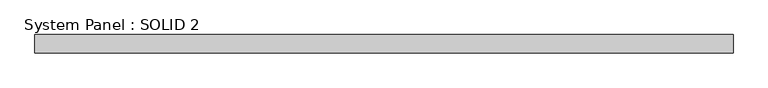
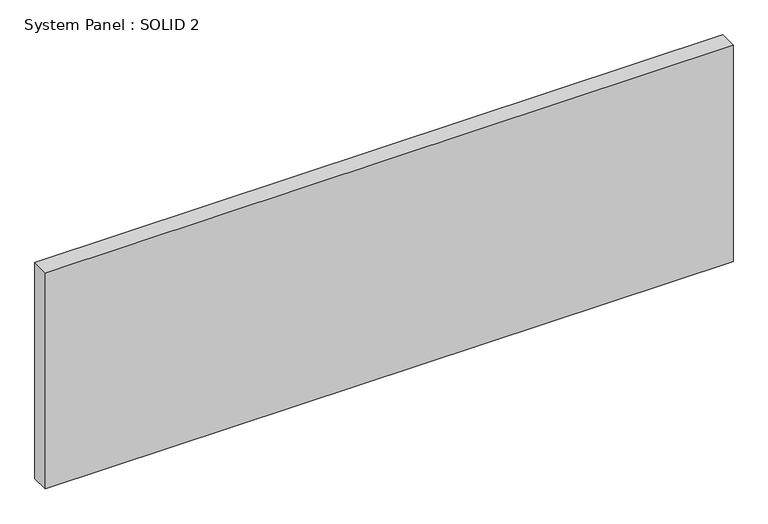
"""IFC4 building model written with IfcOpenShell, lengths in millimetres: plate geometry, System Panel : SOLID 2."""

import ifcopenshell
import ifcopenshell.guid

model = None  # the IFC model being written
_history = None  # IfcOwnerHistory: only IFC2X3 demands one
_inside = {}  # id of a spatial element -> (the spatial element, [elements in it])
_under = {}  # id of a project, library or spatial element -> (it, [spatial elements below it])
_declared = {}  # id of a project -> (the project, [libraries it declares])
_typed = {}  # id of a type object -> (the type object, [elements of that type])
_made_of = {}  # id of a material, layer set ... -> (it, [elements and type objects made of it])


def new_model(schema):
    """Start an empty IFC model of exactly this schema.

    Asked for "IFC4X3", IfcOpenShell would pick the latest addendum, in which some entities
    have other attributes; the version numbers below select the first issue.
    IFC2X3 requires an IfcOwnerHistory on every rooted entity: one is made here for all.
    """
    global model, _history
    if schema == "IFC4X3":
        model = ifcopenshell.file(schema_version=(4, 3, 0, 0))
    else:
        model = ifcopenshell.file(schema=schema)
    _inside.clear()
    _under.clear()
    _declared.clear()
    _typed.clear()
    _made_of.clear()
    _history = None
    if model.schema == "IFC2X3":
        org = make("IfcOrganization", Name="unknown")
        user = make(
            "IfcPersonAndOrganization",
            ThePerson=make("IfcPerson", FamilyName="unknown"),
            TheOrganization=org,
        )
        app = make(
            "IfcApplication",
            ApplicationDeveloper=org,
            Version="unknown",
            ApplicationFullName="unknown",
            ApplicationIdentifier="unknown",
        )
        _history = make(
            "IfcOwnerHistory",
            OwningUser=user,
            OwningApplication=app,
            ChangeAction="ADDED",
            CreationDate=0,
        )
    return model


def make(cls, **values):
    """One entity of the class cls with the attributes given. An attribute that is None is left unset."""
    return model.create_entity(
        cls, **{name: value for name, value in values.items() if value is not None}
    )


def rooted(cls, **values):
    """An entity with a GlobalId (a new one), such as an element, a storey or a relation."""
    return make(cls, GlobalId=ifcopenshell.guid.new(), OwnerHistory=_history, **values)


def si_unit(unit_type, name, prefix=None):
    """IfcSIUnit, for example si_unit("LENGTHUNIT", "METRE", prefix="MILLI")."""
    return make("IfcSIUnit", UnitType=unit_type, Prefix=prefix, Name=name)


def assignment(units):
    """IfcUnitAssignment: the units of a project."""
    return None if units is None else make("IfcUnitAssignment", Units=units)


def point(xyz):
    """IfcCartesianPoint."""
    return None if xyz is None else make("IfcCartesianPoint", Coordinates=xyz)


def direction(xyz):
    """IfcDirection."""
    return None if xyz is None else make("IfcDirection", DirectionRatios=xyz)


def frame(location, z_axis=None, x_axis=None):
    """IfcAxis2Placement3D, a coordinate frame: its origin and axes. An axis left out is left unset."""
    return make(
        "IfcAxis2Placement3D",
        Location=point(location),
        Axis=direction(z_axis),
        RefDirection=direction(x_axis),
    )


def origin():
    """The frame at (0, 0, 0) with its axes left unset."""
    return frame((0.0, 0.0, 0.0))


def origin_with_axes():
    """The frame at (0, 0, 0) with the z axis (0, 0, 1) and the x axis (1, 0, 0) written out."""
    return frame((0.0, 0.0, 0.0), z_axis=(0.0, 0.0, 1.0), x_axis=(1.0, 0.0, 0.0))


def place(relative_to, where):
    """IfcLocalPlacement: puts the frame where relative to a parent placement (None: the world)."""
    return make(
        "IfcLocalPlacement", PlacementRelTo=relative_to, RelativePlacement=where
    )


def context(
    kind, dimensions, precision=None, world=None, true_north=None, identifier=None
):
    """IfcGeometricRepresentationContext, for example the 3D "Model" context."""
    return make(
        "IfcGeometricRepresentationContext",
        ContextIdentifier=identifier,
        ContextType=kind,
        CoordinateSpaceDimension=dimensions,
        Precision=precision,
        WorldCoordinateSystem=world,
        TrueNorth=true_north,
    )


def project(units=None, contexts=None):
    """IfcProject with its units and contexts."""
    return rooted(
        "IfcProject",
        Name="project",
        RepresentationContexts=contexts,
        UnitsInContext=assignment(units),
    )


def spatial(cls, under=None, at=None, **own):
    """A site, building, storey or space (cls), placed at a placement, below another one or the project."""
    s = rooted(cls, ObjectPlacement=at, **own)
    if under is not None:
        _under.setdefault(under.id(), (under, []))[1].append(s)
    return s


def polyline(points):
    """IfcPolyline through the points."""
    return make("IfcPolyline", Points=[point(p) for p in points])


def outline(outer, holes=None, kind="AREA"):
    """IfcArbitraryClosedProfileDef: a profile drawn as a closed curve; with holes, ...WithVoids."""
    if holes is None:
        return make("IfcArbitraryClosedProfileDef", ProfileType=kind, OuterCurve=outer)
    return make(
        "IfcArbitraryProfileDefWithVoids",
        ProfileType=kind,
        OuterCurve=outer,
        InnerCurves=holes,
    )


def extrude(swept, where, along, depth):
    """IfcExtrudedAreaSolid: the profile swept, set in the frame where, extruded along a direction by depth."""
    return make(
        "IfcExtrudedAreaSolid",
        SweptArea=swept,
        Position=where,
        ExtrudedDirection=direction(along),
        Depth=depth,
    )


def shape(context_of_items, identifier, shape_type, items):
    """IfcShapeRepresentation: the items that make up one representation, for example the "Body"."""
    return make(
        "IfcShapeRepresentation",
        ContextOfItems=context_of_items,
        RepresentationIdentifier=identifier,
        RepresentationType=shape_type,
        Items=items,
    )


def source(mapping_origin, context_of_items, identifier, shape_type, items):
    """IfcRepresentationMap: a shape defined once, which mapped items show again and again."""
    return make(
        "IfcRepresentationMap",
        MappingOrigin=mapping_origin,
        MappedRepresentation=shape(context_of_items, identifier, shape_type, items),
    )


def transform(
    local_origin,
    x_axis=None,
    y_axis=None,
    z_axis=None,
    scale=None,
    scale2=None,
    scale3=None,
    uniform=True,
):
    """IfcCartesianTransformationOperator3D, or its non-uniform kind. x_axis, y_axis, z_axis: its Axis1, 2, 3."""
    if uniform:
        return make(
            "IfcCartesianTransformationOperator3D",
            Axis1=direction(x_axis),
            Axis2=direction(y_axis),
            LocalOrigin=point(local_origin),
            Scale=scale,
            Axis3=direction(z_axis),
        )
    return make(
        "IfcCartesianTransformationOperator3DnonUniform",
        Axis1=direction(x_axis),
        Axis2=direction(y_axis),
        LocalOrigin=point(local_origin),
        Scale=scale,
        Axis3=direction(z_axis),
        Scale2=scale2,
        Scale3=scale3,
    )


def mapped(mapping_source, mapping_target):
    """IfcMappedItem: shows the shape of a source again, moved by a transform."""
    return make(
        "IfcMappedItem", MappingSource=mapping_source, MappingTarget=mapping_target
    )


def made_of(thing, what):
    """Note that an element or type object is made of a material, layer set ...; save() writes the relation."""
    if what is not None:
        _made_of.setdefault(what.id(), (what, []))[1].append(thing)
    return thing


def element(
    cls,
    number,
    at=None,
    inside=None,
    cuts=None,
    type_object=None,
    material=None,
    context=None,
    identifier="Body",
    shape_type=None,
    held_by="IfcProductDefinitionShape",
    body=None,
    shapes=None,
    **own,
):
    """One element of the class cls, such as IfcWall. Its Tag is "e" and its number.

    at: its placement. inside: the storey or other place that contains it. cuts: it is an
    opening in that element (IfcRelVoidsElement). A single representation is given by context,
    identifier, shape_type and body (its items); several are given by shapes. held_by: the class
    of the entity that holds the representations. save() writes the other relations.
    """
    e = rooted(cls, Tag="e%d" % number, ObjectPlacement=at, **own)
    if body is not None:
        shapes = [shape(context, identifier, shape_type, body)]
    if shapes is not None:
        e.Representation = make(held_by, Representations=shapes)
    if inside is not None:
        _inside.setdefault(inside.id(), (inside, []))[1].append(e)
    if cuts is not None:
        rooted(
            "IfcRelVoidsElement", RelatingBuildingElement=cuts, RelatedOpeningElement=e
        )
    if type_object is not None:
        _typed.setdefault(type_object.id(), (type_object, []))[1].append(e)
    return made_of(e, material)


def aggregate(whole, parts):
    """IfcRelAggregates: a whole, such as a stair, and the parts it consists of."""
    return rooted("IfcRelAggregates", RelatingObject=whole, RelatedObjects=parts)


def save(model, path):
    """Write the relations noted so far, then the file.

    IfcRelAggregates (storeys below a building ...), IfcRelContainedInSpatialStructure (elements
    in a storey), IfcRelDefinesByType, IfcRelAssociatesMaterial and IfcRelDeclares: one each for
    every whole, place, type object, material and project.
    """
    for whole, parts in _under.values():
        aggregate(whole, parts)
    for where, things in _inside.values():
        rooted(
            "IfcRelContainedInSpatialStructure",
            RelatedElements=things,
            RelatingStructure=where,
        )
    for kind, things in _typed.values():
        rooted("IfcRelDefinesByType", RelatedObjects=things, RelatingType=kind)
    for what, things in _made_of.values():
        rooted("IfcRelAssociatesMaterial", RelatedObjects=things, RelatingMaterial=what)
    for by, libraries in _declared.values():
        rooted("IfcRelDeclares", RelatingContext=by, RelatedDefinitions=libraries)
    model.write(path)


def system_panel_solid_2_83270fc3(model_context):
    return source(origin(), model_context, "Body", "SweptSolid", [
        extrude(outline(polyline([(1507.5, 80.0), (-1507.5, 80.0), (-1507.5, 160.0), (1507.5, 160.0), (1507.5, 80.0)])), origin_with_axes(), (0.0, 0.0, 1.0), 1003.0),
    ])


if __name__ == "__main__":
    model = new_model("IFC4")
    model_context = context("Model", 3, world=origin())
    ifc_project = project(units=[si_unit("LENGTHUNIT", "METRE", prefix="MILLI")], contexts=[model_context])
    site = spatial("IfcSite", under=ifc_project)
    building = spatial("IfcBuilding", under=site)
    placement = place(None, origin())
    system_panel_solid_2_shape = system_panel_solid_2_83270fc3(model_context)
    element("IfcPlate", 1, ObjectType="System Panel : SOLID 2", at=placement, inside=building, context=model_context, shape_type="MappedRepresentation", body=[
        mapped(system_panel_solid_2_shape, transform((0.0, 0.0, 0.0), x_axis=(1.0, 0.0, 0.0), y_axis=(0.0, 1.0, 0.0), z_axis=(0.0, 0.0, 1.0))),
    ])
    save(model, "model.ifc")
